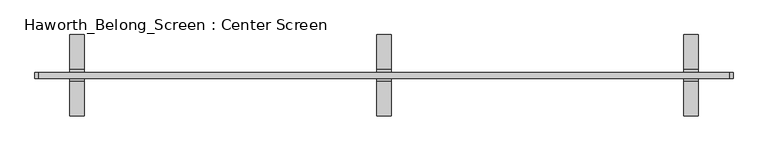
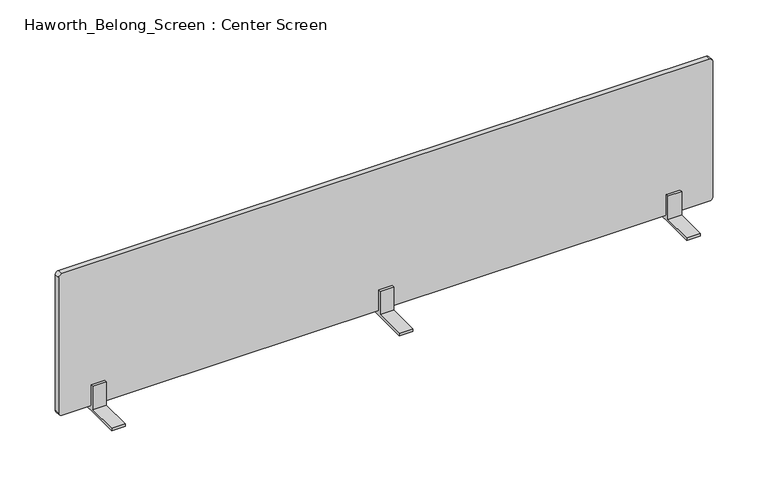
"""IFC4 building model written with IfcOpenShell, lengths in millimetres: furniture geometry, Haworth_Belong_Screen : Center Screen."""

from ifc_helpers import new_model, si_unit, point, frame, frame_2d, origin, place, context, project, spatial, polyline, circle_curve, trimmed, segment, composite_curve, outline, extrude, source, transform, mapped, element, save


def haworth_belong_screen_center_screen_f2881df5(model_context):
    return source(origin(), model_context, "Body", "SweptSolid", [
        extrude(outline(polyline([(12.7, 706.4375), (88.9, 706.4375), (88.9, 700.0875), (-88.9, 700.0875), (-88.9, 706.4375), (-12.7, 706.4375), (-12.7, 763.5875), (-6.35, 763.5875), (-6.35, 712.7875), (6.35, 712.7875), (6.35, 763.5875), (12.7, 763.5875), (12.7, 706.4375)])), frame((-48.5395436, 0.0, 0.0), z_axis=(1.0, 0.0, 0.0), x_axis=(0.0, 1.0, 0.0)), (0.0, 0.0, 1.0), 31.75),
        extrude(outline(polyline([(12.7, 706.4375), (88.9, 706.4375), (88.9, 700.0875), (-88.9, 700.0875), (-88.9, 706.4375), (-12.7, 706.4375), (-12.7, 763.5875), (-6.35, 763.5875), (-6.35, 712.7875), (6.35, 712.7875), (6.35, 763.5875), (12.7, 763.5875), (12.7, 706.4375)])), frame((-718.4645436, 0.0, 0.0), z_axis=(1.0, 0.0, 0.0), x_axis=(0.0, 1.0, 0.0)), (0.0, 0.0, 1.0), 31.75),
        extrude(outline(polyline([(12.7, 706.4375), (88.9, 706.4375), (88.9, 700.0875), (-88.9, 700.0875), (-88.9, 706.4375), (-12.7, 706.4375), (-12.7, 763.5875), (-6.35, 763.5875), (-6.35, 712.7875), (6.35, 712.7875), (6.35, 763.5875), (12.7, 763.5875), (12.7, 706.4375)])), frame((621.3854564, 0.0, 0.0), z_axis=(1.0, 0.0, 0.0), x_axis=(0.0, 1.0, 0.0)), (0.0, 0.0, 1.0), 31.75),
        extrude(outline(composite_curve([segment(polyline([(1062.0375, 721.3979564), (1062.0375, -786.7270436)]), True, "CONTINUOUS"), segment(trimmed(circle_curve(frame_2d((1054.1, -786.7270436)), 7.9375), [point((1062.0375, -786.7270436))], [point((1054.1, -794.6645436))], False, "CARTESIAN"), True, "CONTINUOUS"), segment(polyline([(1054.1, -794.6645436), (720.725, -794.6645436)]), True, "CONTINUOUS"), segment(trimmed(circle_curve(frame_2d((720.725, -786.7270436)), 7.9375), [point((720.725, -794.6645436))], [point((712.7875, -786.7270436))], False, "CARTESIAN"), True, "CONTINUOUS"), segment(polyline([(712.7875, -786.7270436), (712.7875, 721.3979564)]), True, "CONTINUOUS"), segment(trimmed(circle_curve(frame_2d((720.725, 721.3979564)), 7.9375), [point((712.7875, 721.3979564))], [point((720.725, 729.3354564))], False, "CARTESIAN"), True, "CONTINUOUS"), segment(polyline([(720.725, 729.3354564), (1054.1, 729.3354564)]), True, "CONTINUOUS"), segment(trimmed(circle_curve(frame_2d((1054.1, 721.3979564)), 7.9375), [point((1054.1, 729.3354564))], [point((1062.0375, 721.3979564))], False, "CARTESIAN"), True, "CONTINUOUS")], self_intersect=False)), frame((0.0, -6.35, 0.0), z_axis=(0.0, 1.0, 0.0), x_axis=(0.0, 0.0, 1.0)), (0.0, 0.0, 1.0), 12.7),
    ])


if __name__ == "__main__":
    model = new_model("IFC4")
    model_context = context("Model", 3, world=origin())
    ifc_project = project(units=[si_unit("LENGTHUNIT", "METRE", prefix="MILLI")], contexts=[model_context])
    site = spatial("IfcSite", under=ifc_project)
    building = spatial("IfcBuilding", under=site)
    placement = place(None, origin())
    haworth_belong_screen_center_screen_shape = haworth_belong_screen_center_screen_f2881df5(model_context)
    element("IfcFurniture", 1, ObjectType="Haworth_Belong_Screen : Center Screen", at=placement, inside=building, context=model_context, shape_type="MappedRepresentation", body=[
        mapped(haworth_belong_screen_center_screen_shape, transform((0.0, 0.0, 0.0), x_axis=(1.0, 0.0, 0.0), y_axis=(0.0, 1.0, 0.0), z_axis=(0.0, 0.0, 1.0))),
    ])
    save(model, "model.ifc")
